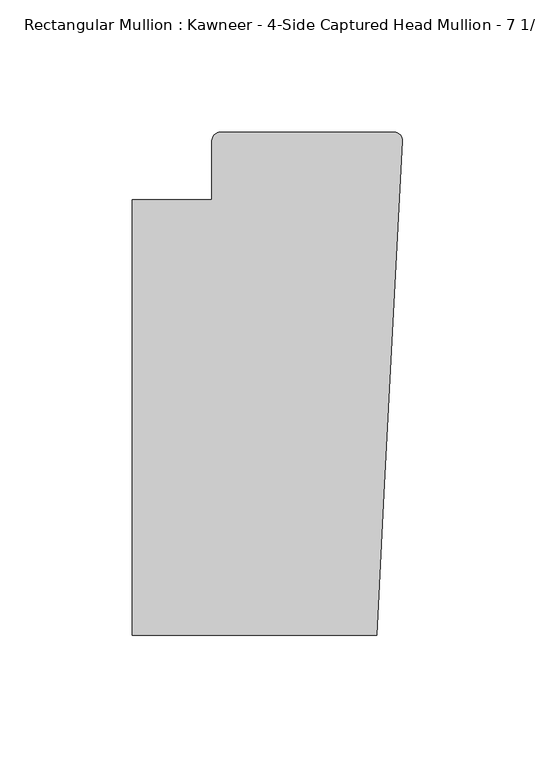
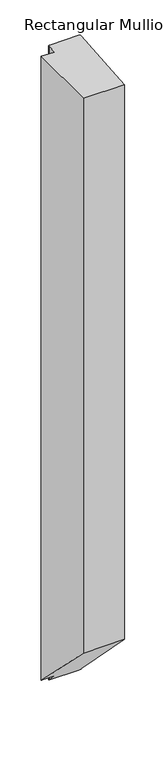
"""IFC4 building model written with IfcOpenShell, lengths in millimetres: member geometry."""

from ifc_helpers import new_model, si_unit, frame, origin, place, context, project, spatial, circle_curve, ellipse_curve, source, transform, mapped, element, save
from ifc_brep_helpers import plane_surface, cylinder_surface, advanced_brep


def member_74c7ec41(model_context):
    return source(origin(), model_context, "Body", "AdvancedBrep", [
        advanced_brep(
        [(-9.7860662, -151.892, 0.0), (-6.9873394, -98.4891117, 0.0), (-0.0041105, 34.7588278, 0.0), (-3.175, 38.0999944, 0.0), (-68.798975, 38.0999944, 0.0), (-71.9739395, 34.9099677, 0.0), (-71.9739395, 12.7, 0.0), (-102.08978, 12.7, 0.0), (-102.08978, -151.892, 0.0), (-9.7860662, -151.892, -1317.2876193), (-6.9873394, -98.4891117, -1370.6905076), (-0.0061551, 34.7198154, -1503.8994599), (-3.175, 38.0999944, -1507.2796138), (-68.798975, 38.0999944, -1507.2796138), (-71.9739395, 34.9099677, -1504.0895871), (-71.9739395, 12.7, -1481.8796193), (-102.08978, 12.7, -1481.8796193), (-102.08978, -151.892, -1317.2876193)],
        [
            (0, 1),
            (1, 2),
            (2, 3, circle_curve(frame((-3.175, 34.9249944, 0.0), z_axis=(0.0, 0.0, 1.0), x_axis=(0.0, 1.0, 0.0)), 3.175)),
            (3, 4),
            (4, 5, circle_curve(frame((-68.798975, 34.9249944, 0.0), z_axis=(0.0, 0.0, 1.0), x_axis=(-0.9999888001458095, -0.004732819766726053, 0.0)), 3.175)),
            (5, 6),
            (6, 7),
            (7, 8),
            (8, 0),
            (0, 9),
            (9, 10),
            (10, 1),
            (10, 11),
            (11, 2),
            (11, 12, ellipse_curve(frame((-3.175, 34.9249944, -1504.1046138), z_axis=(0.0, 0.707106781186548, 0.707106781186547), x_axis=(0.0, -0.707106781186547, 0.707106781186548)), 4.4901281, 3.175)),
            (12, 3),
            (12, 13),
            (13, 4),
            (13, 14, ellipse_curve(frame((-68.798975, 34.9249944, -1504.1046138), z_axis=(0.0, 0.707106781186548, 0.707106781186547), x_axis=(0.0, -0.707106781186547, 0.707106781186548)), 4.4901281, 3.175)),
            (14, 5),
            (14, 15),
            (15, 6),
            (15, 16),
            (16, 7),
            (16, 17),
            (17, 8),
            (17, 9),
        ],
        [
            plane_surface(frame((0.0, -183.0123025, 0.0), z_axis=(0.0, 0.0, 1.0), x_axis=(-1.0, 0.0, 0.0))),
            plane_surface(frame((-9.7860662, -151.892, 0.0), z_axis=(0.9986295347545738, -0.052335956242944896, 0.0), x_axis=(0.0, 0.0, -1.0))),
            plane_surface(frame((-6.9873394, -98.4891117, 0.0), z_axis=(0.9986295346400468, -0.05233595842825238, 0.0), x_axis=(0.0, 0.0, -1.0))),
            cylinder_surface(frame((-3.175, 34.9249944, 0.0), z_axis=(0.0, 0.0, 1.0), x_axis=(0.0, 1.0, 0.0)), 3.175),
            plane_surface(frame((-3.175, 38.0999944, 0.0), z_axis=(0.0, 1.0, 0.0), x_axis=(0.0, 0.0, -1.0))),
            cylinder_surface(frame((-68.798975, 34.9249944, 0.0), z_axis=(0.0, 0.0, 1.0), x_axis=(-0.9999888001458095, -0.004732819766726053, 0.0)), 3.175),
            plane_surface(frame((-71.9739395, 34.9099677, 0.0), z_axis=(-1.0, 0.0, 0.0), x_axis=(0.0, 0.0, -1.0))),
            plane_surface(frame((-71.9739395, 12.7, 0.0), z_axis=(0.0, 1.0, 0.0), x_axis=(0.0, 0.0, -1.0))),
            plane_surface(frame((-102.08978, 12.7, 0.0), z_axis=(-1.0, 0.0, 0.0), x_axis=(0.0, 0.0, -1.0))),
            plane_surface(frame((-102.08978, -151.892, 0.0), z_axis=(0.0, -1.0, 0.0), x_axis=(0.0, 0.0, -1.0))),
            plane_surface(frame((304.8, 0.0, -1469.1796193), z_axis=(0.0, -0.707106781186548, -0.707106781186547), x_axis=(0.0, -0.707106781186547, 0.707106781186548))),
        ],
        [
            (0, [[1, 2, 3, 4, 5, 6, 7, 8, 9]]),
            (1, [[-1, 10, 11, 12]]),
            (2, [[-2, -12, 13, 14]]),
            (3, [[-3, -14, 15, 16]]),
            (4, [[-4, -16, 17, 18]]),
            (5, [[-5, -18, 19, 20]]),
            (6, [[-6, -20, 21, 22]]),
            (7, [[-7, -22, 23, 24]]),
            (8, [[-8, -24, 25, 26]]),
            (9, [[-9, -26, 27, -10]]),
            (10, [[-27, -25, -23, -21, -19, -17, -15, -13, -11]]),
        ],
    ),
    ])


if __name__ == "__main__":
    model = new_model("IFC4")
    model_context = context("Model", 3, world=origin())
    ifc_project = project(units=[si_unit("LENGTHUNIT", "METRE", prefix="MILLI")], contexts=[model_context])
    site = spatial("IfcSite", under=ifc_project)
    building = spatial("IfcBuilding", under=site)
    placement = place(None, origin())
    member_shape = member_74c7ec41(model_context)
    element("IfcMember", 1, ObjectType="Rectangular Mullion : Kawneer - 4-Side Captured Head Mullion - 7 1/2\"", at=placement, inside=building, context=model_context, shape_type="MappedRepresentation", body=[
        mapped(member_shape, transform((0.0, 0.0, 0.0), x_axis=(1.0, 0.0, 0.0), y_axis=(0.0, 1.0, 0.0), z_axis=(0.0, 0.0, 1.0))),
    ])
    save(model, "model.ifc")
